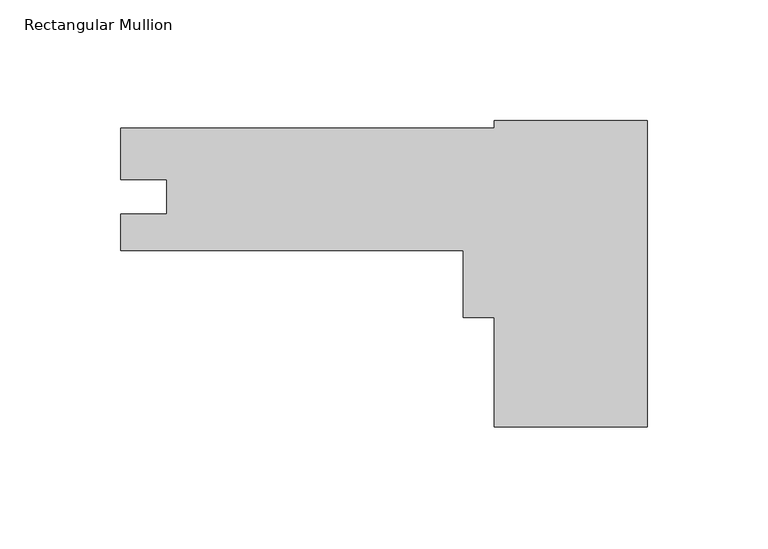
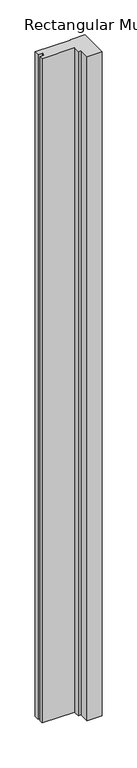
"""IFC4 building model written with IfcOpenShell, lengths in millimetres: member geometry, Rectangular Mullion."""

from ifc_helpers import new_model, si_unit, frame, origin, place, context, project, spatial, polyline, outline, extrude, source, transform, mapped, element, save


def rectangular_mullion_f53d7543(model_context):
    return source(origin(), model_context, "Body", "SweptSolid", [
        extrude(outline(polyline([(-63.5, -127.2086502), (-63.5, -81.9128926), (-76.2, -81.9128926), (-76.2, -54.1316427), (-218.1860013, -54.1316427), (-218.1860013, -39.0313427), (-199.1614013, -39.0313427), (-199.1614013, -24.7184493), (-218.186, -24.7184493), (-218.186, -3.3316427), (-63.5, -3.3316427), (-63.5, -0.2086502), (0.0, -0.2086502), (0.0, -127.2086502), (-63.5, -127.2086502)])), frame((0.0, 0.0, -3048.0), z_axis=(0.0, 0.0, 1.0), x_axis=(1.0, 0.0, 0.0)), (0.0, 0.0, 1.0), 3048.0),
    ])


if __name__ == "__main__":
    model = new_model("IFC4")
    model_context = context("Model", 3, world=origin())
    ifc_project = project(units=[si_unit("LENGTHUNIT", "METRE", prefix="MILLI")], contexts=[model_context])
    site = spatial("IfcSite", under=ifc_project)
    building = spatial("IfcBuilding", under=site)
    placement = place(None, origin())
    rectangular_mullion_shape = rectangular_mullion_f53d7543(model_context)
    element("IfcMember", 1, ObjectType="Rectangular Mullion", at=placement, inside=building, context=model_context, shape_type="MappedRepresentation", body=[
        mapped(rectangular_mullion_shape, transform((0.0, 0.0, 0.0), x_axis=(1.0, 0.0, 0.0), y_axis=(0.0, 1.0, 0.0), z_axis=(0.0, 0.0, 1.0))),
    ])
    save(model, "model.ifc")
